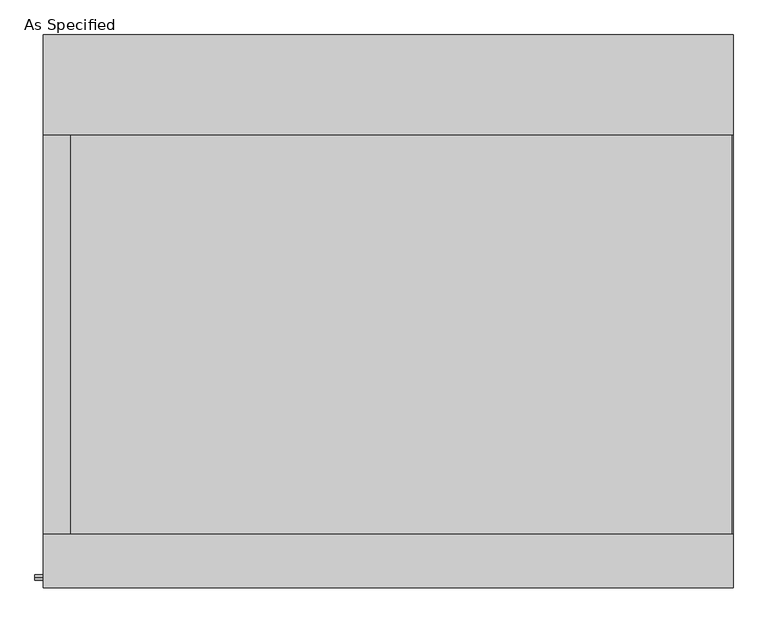
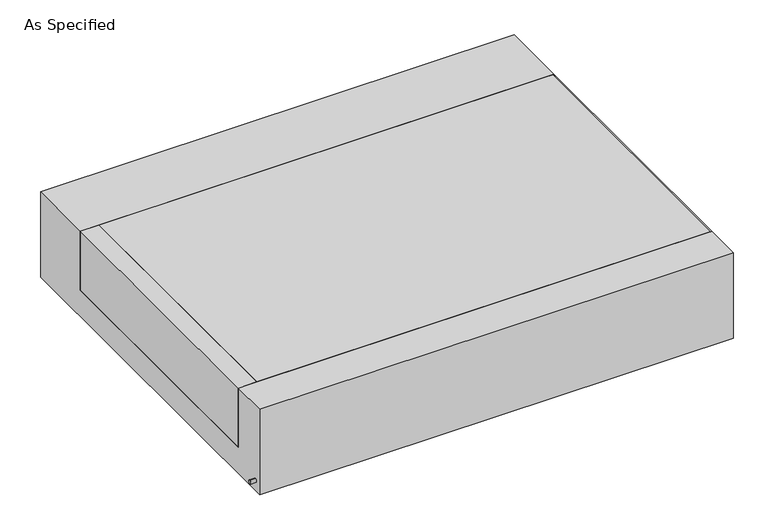
"""IFC4 building model written with IfcOpenShell, lengths in millimetres: proxy geometry, As Specified."""

from ifc_helpers import new_model, si_unit, point, frame, frame_2d, origin, place, context, project, spatial, polyline, circle_curve, trimmed, segment, composite_curve, outline, extrude, source, transform, mapped, element, save


def as_specified_259fee10(model_context):
    return source(origin(), model_context, "Body", "SweptSolid", [
        extrude(outline(composite_curve([segment(trimmed(circle_curve(frame_2d((-1017.5875, -466.725)), 10.5), [point((-1017.5875, -456.225))], [point((-1017.5875, -477.225))], False, "CARTESIAN"), True, "CONTINUOUS"), segment(trimmed(circle_curve(frame_2d((-1017.5875, -466.725)), 10.5), [point((-1017.5875, -477.225))], [point((-1017.5875, -456.225))], False, "CARTESIAN"), True, "CONTINUOUS")], self_intersect=False)), frame((-1351.0528384, 0.0, 0.0), z_axis=(1.0, 0.0, 0.0), x_axis=(0.0, 1.0, 0.0)), (0.0, 0.0, 1.0), 31.8403384),
        extrude(outline(polyline([(-1216.81875, 673.1), (-1216.81875, -850.9), (-1319.2125, -850.9), (-1319.2125, 673.1), (-1216.81875, 673.1)])), frame((0.0, 0.0, -373.0625), z_axis=(0.0, 0.0, 1.0), x_axis=(1.0, 0.0, 0.0)), (0.0, 0.0, 1.0), 347.6625),
        extrude(outline(polyline([(1315.24375, 673.1), (1319.2125, 673.1), (1319.2125, -850.9), (1315.24375, -850.9), (1315.24375, 673.1)])), frame((0.0, 0.0, -39.6875), z_axis=(0.0, 0.0, 1.0), x_axis=(1.0, 0.0, 0.0)), (0.0, 0.0, 1.0), 14.2875),
        extrude(outline(polyline([(1319.2125, 673.1), (1319.2125, -850.9), (-1216.81875, -850.9), (-1216.81875, 673.1), (1319.2125, 673.1)])), frame((0.0, 0.0, -373.0625), z_axis=(0.0, 0.0, 1.0), x_axis=(1.0, 0.0, 0.0)), (0.0, 0.0, 1.0), 347.6625),
        extrude(outline(polyline([(1057.275, -25.4), (1057.275, -530.225), (-1057.275, -530.225), (-1057.275, -25.4), (-850.9, -25.4), (-850.9, -373.0625), (673.1, -373.0625), (673.1, -25.4), (1057.275, -25.4)])), frame((-1319.2125, 0.0, 0.0), z_axis=(1.0, 0.0, 0.0), x_axis=(0.0, 1.0, 0.0)), (0.0, 0.0, 1.0), 2638.425),
    ])


if __name__ == "__main__":
    model = new_model("IFC4")
    model_context = context("Model", 3, world=origin())
    ifc_project = project(units=[si_unit("LENGTHUNIT", "METRE", prefix="MILLI")], contexts=[model_context])
    site = spatial("IfcSite", under=ifc_project)
    building = spatial("IfcBuilding", under=site)
    placement = place(None, origin())
    as_specified_shape = as_specified_259fee10(model_context)
    element("IfcBuildingElementProxy", 1, Name="As Specified", ObjectType="As Specified", at=placement, inside=building, context=model_context, shape_type="MappedRepresentation", body=[
        mapped(as_specified_shape, transform((0.0, 0.0, 0.0), x_axis=(1.0, 0.0, 0.0), y_axis=(0.0, 1.0, 0.0), z_axis=(0.0, 0.0, 1.0))),
    ])
    save(model, "model.ifc")
